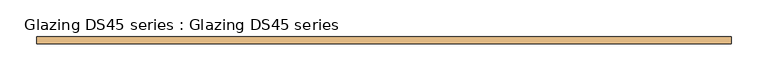
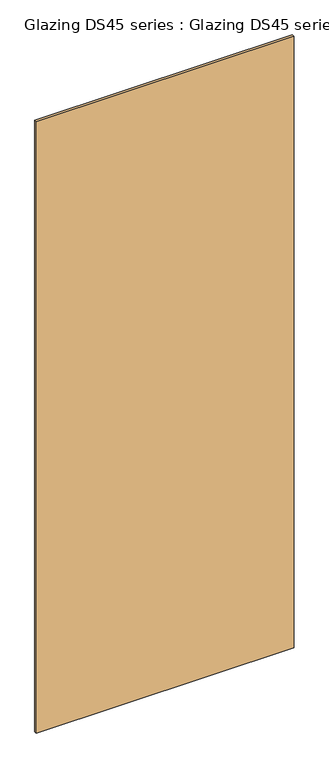
"""IFC4 building model written with IfcOpenShell, lengths in millimetres: door geometry, Glazing DS45 series : Glazing DS45 series."""

from ifc_helpers import new_model, si_unit, frame, origin, place, context, project, spatial, polyline, outline, extrude, source, transform, mapped, element, save


def glazing_ds45_series_glazing_ds45_series_c830c8cb(model_context):
    return source(origin(), model_context, "Body", "SweptSolid", [
        extrude(outline(polyline([(474.9040671, 5.0), (474.9040671, -5.0), (-474.9040671, -5.0), (-474.9040671, 5.0), (474.9040671, 5.0)])), frame((0.0, 0.0, 1.5559478), z_axis=(0.0, 0.0, 1.0), x_axis=(1.0, 0.0, 0.0)), (0.0, 0.0, 1.0), 2378.8692245),
    ])


if __name__ == "__main__":
    model = new_model("IFC4")
    model_context = context("Model", 3, world=origin())
    ifc_project = project(units=[si_unit("LENGTHUNIT", "METRE", prefix="MILLI")], contexts=[model_context])
    site = spatial("IfcSite", under=ifc_project)
    building = spatial("IfcBuilding", under=site)
    placement = place(None, origin())
    glazing_ds45_series_glazing_ds45_series_shape = glazing_ds45_series_glazing_ds45_series_c830c8cb(model_context)
    element("IfcDoor", 1, ObjectType="Glazing DS45 series : Glazing DS45 series", at=placement, inside=building, context=model_context, shape_type="MappedRepresentation", body=[
        mapped(glazing_ds45_series_glazing_ds45_series_shape, transform((0.0, 0.0, 0.0), x_axis=(1.0, 0.0, 0.0), y_axis=(0.0, 1.0, 0.0), z_axis=(0.0, 0.0, 1.0))),
    ])
    save(model, "model.ifc")
